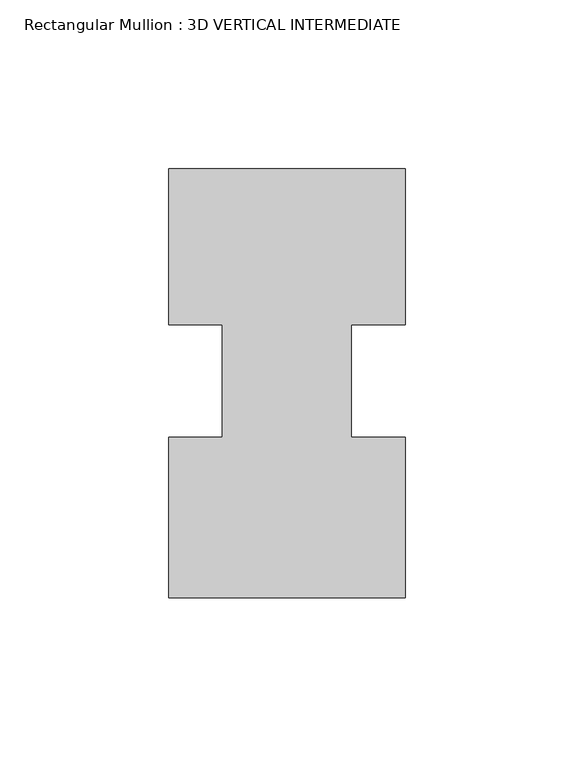
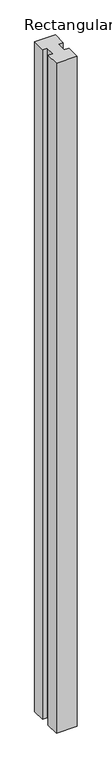
"""IFC4 building model written with IfcOpenShell, lengths in millimetres: member geometry, Rectangular Mullion : 3D VERTICAL INTERMEDIATE."""

from ifc_helpers import new_model, si_unit, frame, origin, place, context, project, spatial, polyline, outline, extrude, source, transform, mapped, element, save


def rectangular_mullion_3d_vertical_intermediate_deed8188(model_context):
    return source(origin(), model_context, "Body", "SweptSolid", [
        extrude(outline(polyline([(35.0173164, 62.8615883), (35.0173164, 16.6786782), (19.1423164, 16.6786782), (19.1423164, -16.6786782), (35.0173157, -16.6786782), (35.0173157, -64.1384117), (-34.925, -64.1384117), (-34.925, -16.6786782), (-19.05, -16.6786782), (-19.05, 16.6786782), (-34.925, 16.6786782), (-34.925, 62.8615883), (35.0173164, 62.8615883)])), frame((0.0, 0.0, -2393.95), z_axis=(0.0, 0.0, 1.0), x_axis=(1.0, 0.0, 0.0)), (0.0, 0.0, 1.0), 2393.95),
    ])


if __name__ == "__main__":
    model = new_model("IFC4")
    model_context = context("Model", 3, world=origin())
    ifc_project = project(units=[si_unit("LENGTHUNIT", "METRE", prefix="MILLI")], contexts=[model_context])
    site = spatial("IfcSite", under=ifc_project)
    building = spatial("IfcBuilding", under=site)
    placement = place(None, origin())
    rectangular_mullion_3d_vertical_intermediate_shape = rectangular_mullion_3d_vertical_intermediate_deed8188(model_context)
    element("IfcMember", 1, ObjectType="Rectangular Mullion : 3D VERTICAL INTERMEDIATE", at=placement, inside=building, context=model_context, shape_type="MappedRepresentation", body=[
        mapped(rectangular_mullion_3d_vertical_intermediate_shape, transform((0.0, 0.0, 0.0), x_axis=(1.0, 0.0, 0.0), y_axis=(0.0, 1.0, 0.0), z_axis=(0.0, 0.0, 1.0))),
    ])
    save(model, "model.ifc")
